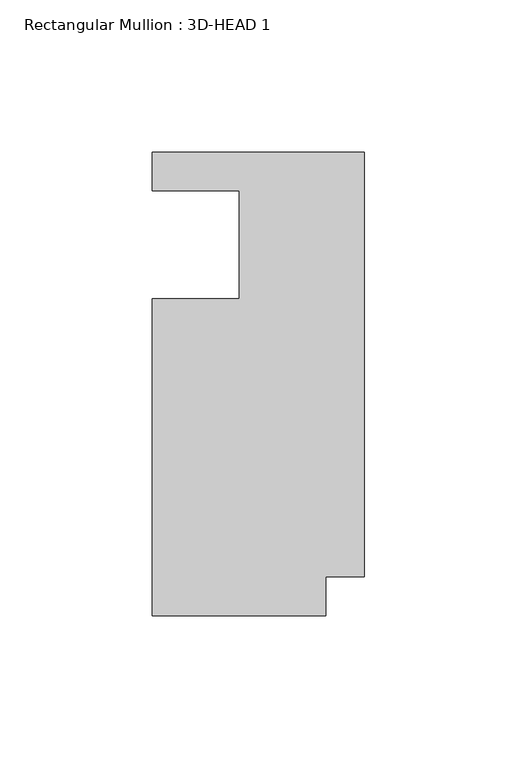
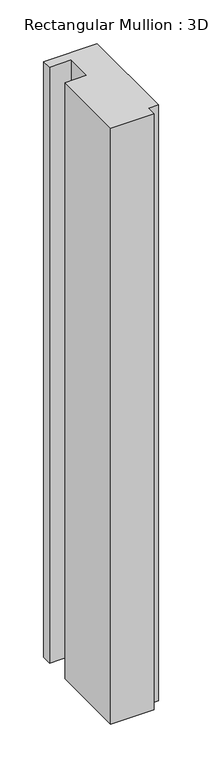
"""IFC4 building model written with IfcOpenShell, lengths in millimetres: member geometry, Rectangular Mullion : 3D-HEAD 1."""

from ifc_helpers import new_model, si_unit, frame, origin, place, context, project, spatial, polyline, outline, extrude, source, transform, mapped, element, save


def rectangular_mullion_3d_head_1_016452b3(model_context):
    return source(origin(), model_context, "Body", "SweptSolid", [
        extrude(outline(polyline([(0.0, 76.2), (0.0, -63.4365), (-12.7, -63.4365), (-12.7, -76.2), (-69.85, -76.2), (-69.85, 28.0416), (-41.2496, 28.0416), (-41.2496, 63.5), (-69.85, 63.5), (-69.85, 76.2), (0.0, 76.2)])), frame((0.0, 0.0, -827.484382), z_axis=(0.0, 0.0, 1.0), x_axis=(1.0, 0.0, 0.0)), (0.0, 0.0, 1.0), 827.484382),
    ])


if __name__ == "__main__":
    model = new_model("IFC4")
    model_context = context("Model", 3, world=origin())
    ifc_project = project(units=[si_unit("LENGTHUNIT", "METRE", prefix="MILLI")], contexts=[model_context])
    site = spatial("IfcSite", under=ifc_project)
    building = spatial("IfcBuilding", under=site)
    placement = place(None, origin())
    rectangular_mullion_3d_head_1_shape = rectangular_mullion_3d_head_1_016452b3(model_context)
    element("IfcMember", 1, ObjectType="Rectangular Mullion : 3D-HEAD 1", at=placement, inside=building, context=model_context, shape_type="MappedRepresentation", body=[
        mapped(rectangular_mullion_3d_head_1_shape, transform((0.0, 0.0, 0.0), x_axis=(1.0, 0.0, 0.0), y_axis=(0.0, 1.0, 0.0), z_axis=(0.0, 0.0, 1.0))),
    ])
    save(model, "model.ifc")
